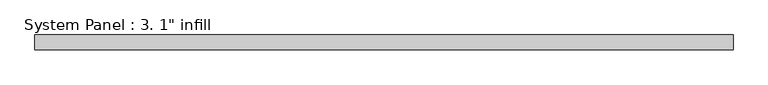
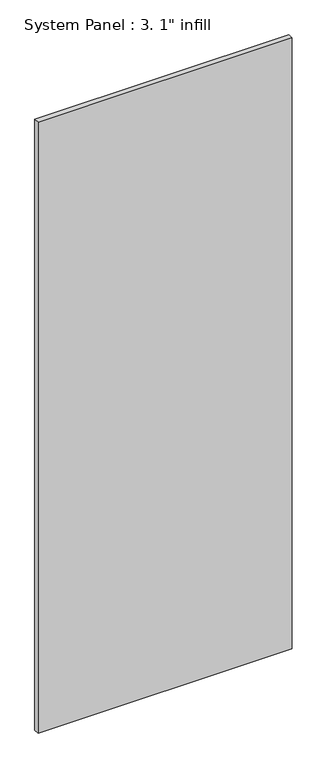
"""IFC4 building model written with IfcOpenShell, lengths in millimetres: plate geometry."""

from ifc_helpers import new_model, si_unit, origin, origin_with_axes, place, context, project, spatial, polyline, outline, extrude, source, transform, mapped, element, save


def plate_7f50e11c(model_context):
    return source(origin(), model_context, "Body", "SweptSolid", [
        extrude(outline(polyline([(599.678125, 11.0132813), (-599.678125, 11.0132813), (-599.678125, 36.4132813), (599.678125, 36.4132813), (599.678125, 11.0132813)])), origin_with_axes(), (0.0, 0.0, 1.0), 3048.0),
    ])


if __name__ == "__main__":
    model = new_model("IFC4")
    model_context = context("Model", 3, world=origin())
    ifc_project = project(units=[si_unit("LENGTHUNIT", "METRE", prefix="MILLI")], contexts=[model_context])
    site = spatial("IfcSite", under=ifc_project)
    building = spatial("IfcBuilding", under=site)
    placement = place(None, origin())
    plate_shape = plate_7f50e11c(model_context)
    element("IfcPlate", 1, ObjectType="System Panel : 3. 1\" infill", at=placement, inside=building, context=model_context, shape_type="MappedRepresentation", body=[
        mapped(plate_shape, transform((0.0, 0.0, 0.0), x_axis=(1.0, 0.0, 0.0), y_axis=(0.0, 1.0, 0.0), z_axis=(0.0, 0.0, 1.0))),
    ])
    save(model, "model.ifc")
